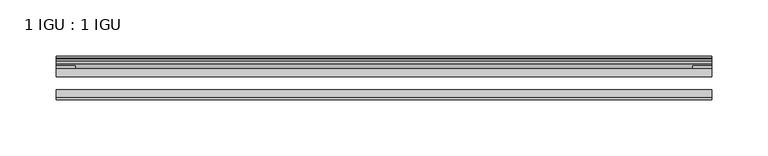
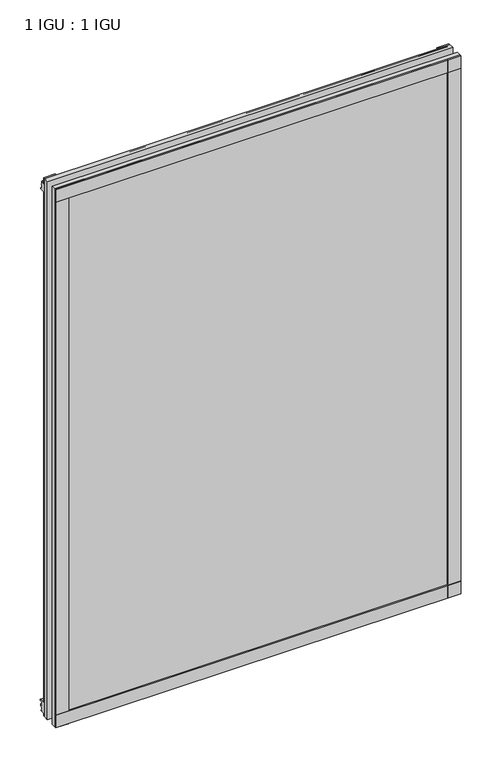
"""IFC4 building model written with IfcOpenShell, lengths in millimetres: plate geometry, 1 IGU : 1 IGU."""

from ifc_helpers import new_model, si_unit, point, frame, frame_2d, origin, place, context, project, spatial, polyline, circle_curve, trimmed, segment, composite_curve, outline, extrude, source, transform, mapped, element, save


def plate_1_igu_1_igu_c63dfe73(model_context):
    return source(origin(), model_context, "Body", "SweptSolid", [
        extrude(outline(polyline([(292.1, -11.6085937), (292.1, -18.8576359), (-292.1, -18.8576359), (-292.1, -11.6085937), (292.1, -11.6085937)])), frame((0.0, 0.0, -19.05), z_axis=(0.0, 0.0, 1.0), x_axis=(1.0, 0.0, 0.0)), (0.0, 0.0, 1.0), 819.1500001),
        extrude(outline(polyline([(-292.1, -30.7093937), (292.1, -30.7093937), (292.1, -37.0085937), (-292.1, -37.0085937), (-292.1, -30.7093937)])), frame((0.0, 0.0, -19.05), z_axis=(0.0, 0.0, 1.0), x_axis=(1.0, 0.0, 0.0)), (0.0, 0.0, 1.0), 819.1500001),
        extrude(outline(polyline([(-11.6085937, -15.24), (-11.6085937, 2.8161565), (-0.5298609, 1.2591422), (-0.5298609, -0.6645794), (-5.258589, 0.0), (-5.258589, -4.826), (-1.575589, -4.826), (-1.575589, -7.874), (-5.258589, -7.874), (-5.258589, -13.208), (-3.099589, -13.208), (-3.099589, -15.24), (-11.6085937, -15.24)])), frame((-292.1, 0.0, 0.0), z_axis=(1.0, 0.0, 0.0), x_axis=(0.0, 1.0, 0.0)), (0.0, 0.0, 1.0), 584.2),
        extrude(outline(polyline([(-292.1, -39.2945937), (-292.1, -37.0085937), (292.1, -37.0085937), (292.1, -39.2945937), (-292.1, -39.2945937)])), frame((0.0, 0.0, -19.05), z_axis=(0.0, 0.0, 1.0), x_axis=(1.0, 0.0, 0.0)), (0.0, 0.0, 1.0), 19.05),
        extrude(outline(composite_curve([segment(trimmed(circle_curve(frame_2d((-6.5285937, 792.521876)), 1.27), [point((-7.4547667, 793.390843))], [point((-5.2585937, 792.521876))], False, "CARTESIAN"), True, "CONTINUOUS"), segment(polyline([(-5.2585937, 792.521876), (-5.2585937, 789.3050001), (-3.3544944, 786.6297863), (-5.2585937, 786.284551), (-5.2585937, 781.0500001), (-2.385052, 781.0500001)]), True, "CONTINUOUS"), segment(trimmed(circle_curve(frame_2d((-3.2589487, 780.5317718)), 1.016), [point((-2.385052, 781.0500001))], [point((-3.236916, 779.5160107))], False, "CARTESIAN"), True, "CONTINUOUS"), segment(trimmed(circle_curve(frame_2d((-2.5575611, 748.1961025)), 31.3272753), [point((-3.236916, 779.5160107))], [point((-11.6085937, 778.1873843))], True, "CARTESIAN"), True, "CONTINUOUS"), segment(polyline([(-11.6085937, 778.1873843), (-11.6085937, 788.9635609), (-7.4547667, 793.390843)]), True, "CONTINUOUS")], self_intersect=False)), frame((-292.1, 0.0, 0.0), z_axis=(1.0, 0.0, 0.0), x_axis=(0.0, 1.0, 0.0)), (0.0, 0.0, 1.0), 584.2),
        extrude(outline(polyline([(-292.1, -39.2945937), (-292.1, -37.0085937), (292.1, -37.0085937), (292.1, -39.2945937), (-292.1, -39.2945937)])), frame((0.0, 0.0, 781.0500001), z_axis=(0.0, 0.0, 1.0), x_axis=(1.0, 0.0, 0.0)), (0.0, 0.0, 1.0), 19.05),
        extrude(outline(polyline([(273.05, -37.0085937), (292.1, -37.0085937), (292.1, -39.2945938), (273.05, -39.2945938), (273.05, -37.0085937)])), frame((0.0, 0.0, -19.05), z_axis=(0.0, 0.0, 1.0), x_axis=(1.0, 0.0, 0.0)), (0.0, 0.0, 1.0), 819.1500001),
        extrude(outline(polyline([(292.1, -9.3247196), (292.1, -11.6085937), (275.0185, -11.6085937), (275.0185, -9.3247196), (292.1, -9.3247196)])), frame((0.0, 0.0, -19.05), z_axis=(0.0, 0.0, 1.0), x_axis=(1.0, 0.0, 0.0)), (0.0, 0.0, 1.0), 819.1500001),
        extrude(outline(polyline([(-292.1, -39.2945937), (-292.1, -37.0085937), (-273.05, -37.0085937), (-273.05, -39.2945937), (-292.1, -39.2945937)])), frame((0.0, 0.0, -19.05), z_axis=(0.0, 0.0, 1.0), x_axis=(1.0, 0.0, 0.0)), (0.0, 0.0, 1.0), 819.1500001),
        extrude(outline(polyline([(-292.1, -11.6107196), (-292.1, -9.2273437), (-275.0185, -9.2273437), (-275.0185, -11.6107196), (-292.1, -11.6107196)])), frame((0.0, 0.0, -19.05), z_axis=(0.0, 0.0, 1.0), x_axis=(1.0, 0.0, 0.0)), (0.0, 0.0, 1.0), 819.1500001),
    ])


if __name__ == "__main__":
    model = new_model("IFC4")
    model_context = context("Model", 3, world=origin())
    ifc_project = project(units=[si_unit("LENGTHUNIT", "METRE", prefix="MILLI")], contexts=[model_context])
    site = spatial("IfcSite", under=ifc_project)
    building = spatial("IfcBuilding", under=site)
    placement = place(None, origin())
    plate_1_igu_1_igu_shape = plate_1_igu_1_igu_c63dfe73(model_context)
    element("IfcPlate", 1, ObjectType="1 IGU : 1 IGU", at=placement, inside=building, context=model_context, shape_type="MappedRepresentation", body=[
        mapped(plate_1_igu_1_igu_shape, transform((0.0, 0.0, 0.0), x_axis=(1.0, 0.0, 0.0), y_axis=(0.0, 1.0, 0.0), z_axis=(0.0, 0.0, 1.0))),
    ])
    save(model, "model.ifc")
